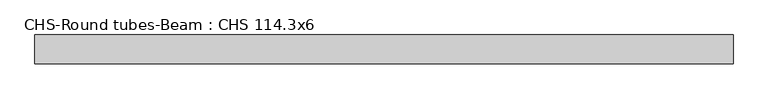
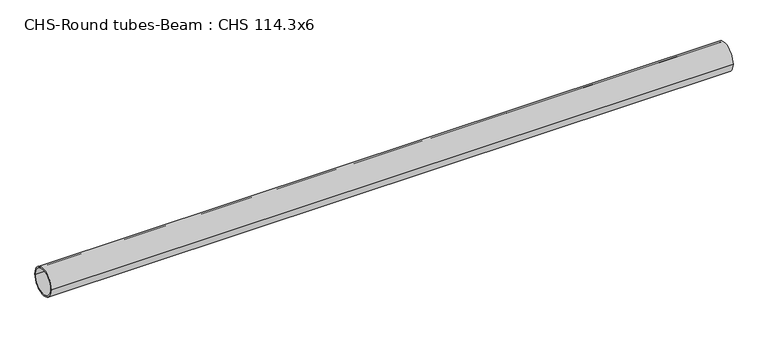
"""IFC4 building model written with IfcOpenShell, lengths in millimetres: beam geometry, CHS-Round tubes-Beam : CHS 114.3x6."""

from ifc_helpers import new_model, si_unit, point, frame, origin, origin_2d, place, context, project, spatial, circle_curve, trimmed, segment, composite_curve, outline, extrude, source, transform, mapped, element, save


def chs_round_tubes_beam_chs_114_3x6_1ba2464d(model_context):
    return source(origin(), model_context, "Body", "SweptSolid", [
        extrude(outline(composite_curve([segment(trimmed(circle_curve(origin_2d(), 57.15), [point((57.15, 0.0))], [point((-57.15, 0.0))], False, "CARTESIAN"), True, "CONTINUOUS"), segment(trimmed(circle_curve(origin_2d(), 57.15), [point((-57.15, 0.0))], [point((57.15, 0.0))], False, "CARTESIAN"), True, "CONTINUOUS")], self_intersect=False), holes=[composite_curve([segment(trimmed(circle_curve(origin_2d(), 51.15), [point((51.15, 0.0))], [point((-51.15, 0.0))], True, "CARTESIAN"), True, "CONTINUOUS"), segment(trimmed(circle_curve(origin_2d(), 51.15), [point((-51.15, 0.0))], [point((51.15, 0.0))], True, "CARTESIAN"), True, "CONTINUOUS")], self_intersect=False)]), frame((-1321.5621108, 0.0, 0.0), z_axis=(1.0, 0.0, 0.0), x_axis=(0.0, 1.0, 0.0)), (0.0, 0.0, 1.0), 2768.9035558),
    ])


if __name__ == "__main__":
    model = new_model("IFC4")
    model_context = context("Model", 3, world=origin())
    ifc_project = project(units=[si_unit("LENGTHUNIT", "METRE", prefix="MILLI")], contexts=[model_context])
    site = spatial("IfcSite", under=ifc_project)
    building = spatial("IfcBuilding", under=site)
    placement = place(None, origin())
    chs_round_tubes_beam_chs_114_3x6_shape = chs_round_tubes_beam_chs_114_3x6_1ba2464d(model_context)
    element("IfcBeam", 1, ObjectType="CHS-Round tubes-Beam : CHS 114.3x6", at=placement, inside=building, context=model_context, shape_type="MappedRepresentation", body=[
        mapped(chs_round_tubes_beam_chs_114_3x6_shape, transform((0.0, 0.0, 0.0), x_axis=(1.0, 0.0, 0.0), y_axis=(0.0, 1.0, 0.0), z_axis=(0.0, 0.0, 1.0))),
    ])
    save(model, "model.ifc")
